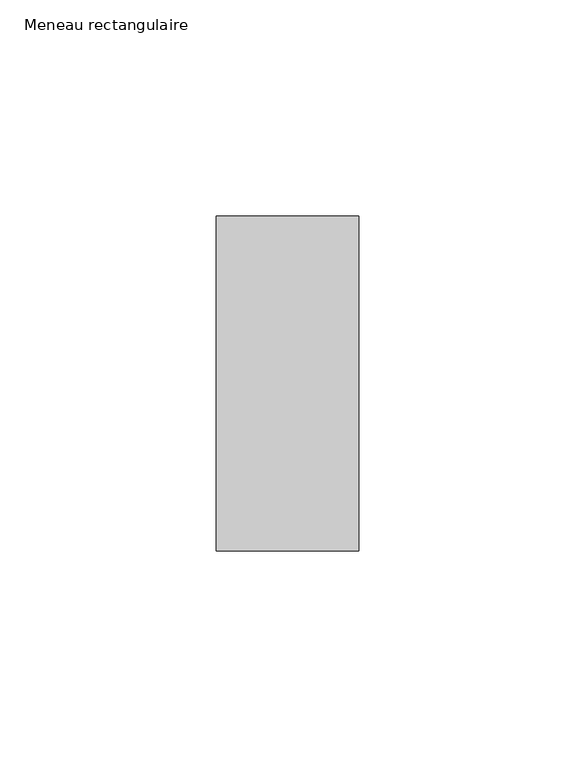
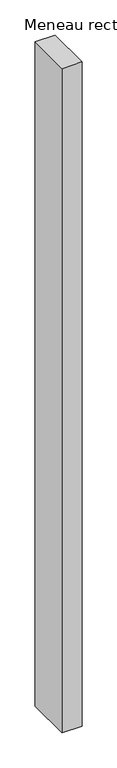
"""IFC4 building model written with IfcOpenShell, lengths in millimetres: member geometry, Meneau rectangulaire."""

from ifc_helpers import new_model, si_unit, frame, origin, place, context, project, spatial, polyline, outline, extrude, source, transform, mapped, element, save


def meneau_rectangulaire_c0f73a57(model_context):
    return source(origin(), model_context, "Body", "SweptSolid", [
        extrude(outline(polyline([(0.0, 38.75), (0.0, -38.75), (-33.0, -38.75), (-33.0, 38.75), (0.0, 38.75)])), frame((0.0, 0.0, -1158.4285716), z_axis=(0.0, 0.0, 1.0), x_axis=(1.0, 0.0, 0.0)), (0.0, 0.0, 1.0), 1158.4285716),
    ])


if __name__ == "__main__":
    model = new_model("IFC4")
    model_context = context("Model", 3, world=origin())
    ifc_project = project(units=[si_unit("LENGTHUNIT", "METRE", prefix="MILLI")], contexts=[model_context])
    site = spatial("IfcSite", under=ifc_project)
    building = spatial("IfcBuilding", under=site)
    placement = place(None, origin())
    meneau_rectangulaire_shape = meneau_rectangulaire_c0f73a57(model_context)
    element("IfcMember", 1, ObjectType="Meneau rectangulaire", at=placement, inside=building, context=model_context, shape_type="MappedRepresentation", body=[
        mapped(meneau_rectangulaire_shape, transform((0.0, 0.0, 0.0), x_axis=(1.0, 0.0, 0.0), y_axis=(0.0, 1.0, 0.0), z_axis=(0.0, 0.0, 1.0))),
    ])
    save(model, "model.ifc")
